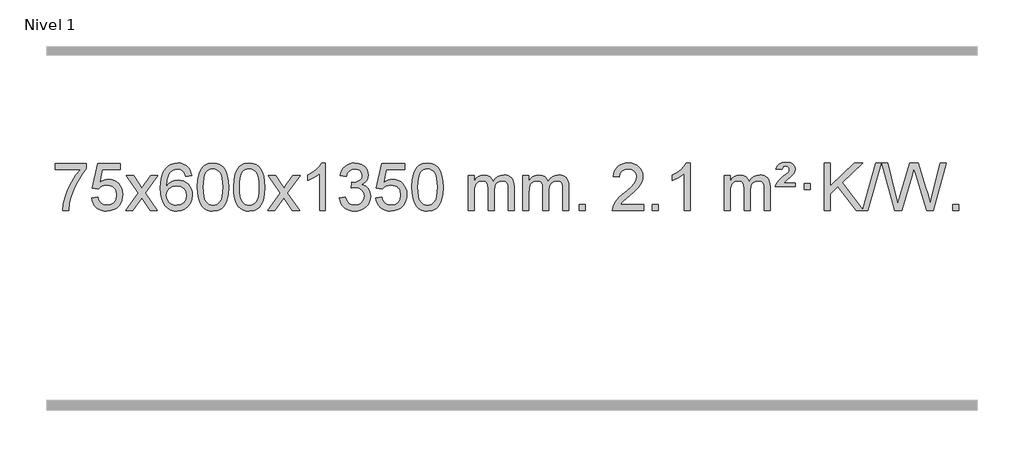
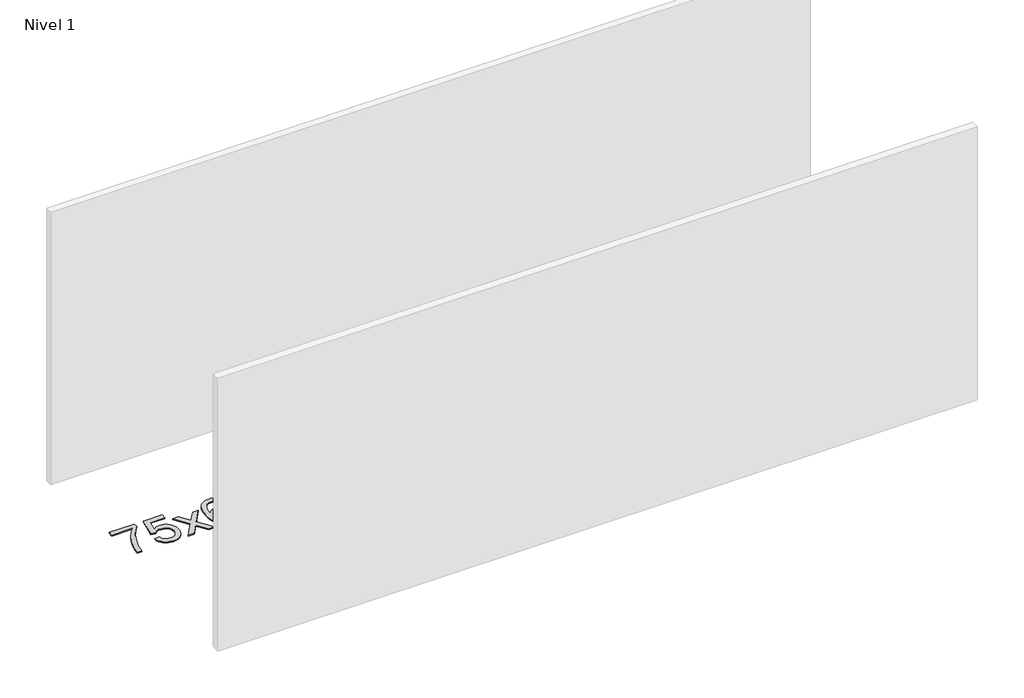
# One storey, part 5 of 7: 1 proxy.
"""IFC4 building model written with IfcOpenShell, lengths in millimetres."""

from ifc_helpers import new_model, si_unit, origin, origin_with_axes, place, context, project, spatial, polyline, outline, extrude, element, save

model = new_model("IFC4")

# Units and contexts
model_context = context("Model", 3, world=origin())
ifc_project = project(units=[si_unit("LENGTHUNIT", "METRE", prefix="MILLI")], contexts=[model_context])

# Site, building, storey
site = spatial("IfcSite", under=ifc_project)
building = spatial("IfcBuilding", under=site)
storey = spatial("IfcBuildingStorey", under=building, Name="Nivel 1", Elevation=0.0)

# Proxy
placement = place(None, origin())
element("IfcBuildingElementProxy", 1, Name="Texto de modelo 1", ObjectType="Texto de modelo 1", at=placement, inside=storey, context=model_context, shape_type="SweptSolid", body=[
    extrude(outline(polyline([(-6456.1697105, -3050.2608869), (-6456.1697105, -3000.0327318), (-6192.4718963, -3000.0327318), (-6192.4718963, -3040.646904), (-6230.0571735, -3088.214046), (-6267.2745687, -3148.7061088), (-6300.1019054, -3216.6048623), (-6324.5170071, -3286.3920768), (-6336.4854347, -3338.6067947), (-6343.1563615, -3395.579453), (-6393.3845166, -3395.579453), (-6387.9521258, -3343.8061935), (-6373.420787, -3282.2717985), (-6350.1829077, -3217.0463207), (-6318.6308952, -3154.1998132), (-6281.7936447, -3097.3865704), (-6242.7000514, -3050.2608869), (-6456.1697105, -3050.2608869)])), origin_with_axes(), (0.0, 0.0, 1.0), 10.0),
    extrude(outline(polyline([(-6148.5222606, -3288.8446235), (-6098.2941056, -3282.5661041), (-6089.0725302, -3312.7201649), (-6072.9838243, -3334.3148381), (-6050.1015642, -3347.3010725), (-6020.4993263, -3351.6298173), (-6001.3694626, -3350.1245668), (-5984.4959417, -3345.6088153), (-5969.8787638, -3338.0825628), (-5957.5179287, -3327.5458094), (-5947.6893481, -3314.519721), (-5940.6689334, -3299.5254641), (-5935.0526016, -3263.6324441), (-5940.3133141, -3229.8363514), (-5946.8892048, -3215.9181493), (-5956.0954517, -3203.9865099), (-5967.9627117, -3194.4154467), (-5982.5216417, -3187.5789729), (-6019.7145114, -3182.1097939), (-6044.0805622, -3184.2925604), (-6063.8112999, -3190.8408599), (-6079.568912, -3200.8717757), (-6092.0155862, -3213.5023908), (-6142.2437412, -3207.2238715), (-6098.2941056, -3000.0327318), (-5903.6600046, -3000.0327318), (-5903.6600046, -3050.2608869), (-6057.6799333, -3050.2608869), (-6079.1642418, -3160.919791), (-6061.438461, -3148.2155994), (-6043.2834845, -3139.1411769), (-6024.6993124, -3133.6965234), (-6005.6859446, -3131.8816388), (-5981.2248576, -3134.1318504), (-5958.7564648, -3140.882485), (-5938.2807661, -3152.1335427), (-5919.7977615, -3167.8850234), (-5904.4969362, -3187.1743027), (-5893.5677752, -3209.038756), (-5887.0102787, -3233.4783832), (-5884.8244465, -3260.4931844), (-5886.7926152, -3286.5147042), (-5892.6971212, -3310.7213394), (-5902.5379646, -3333.1130902), (-5916.3151453, -3353.6899565), (-5937.1863171, -3374.7634634), (-5961.5401052, -3389.8159684), (-5989.3765095, -3398.8474714), (-6020.69553, -3401.8579724), (-6046.6158823, -3399.9235262), (-6070.0285056, -3394.1201877), (-6090.9334, -3384.447957), (-6109.3305654, -3370.9068338), (-6124.6375221, -3354.1712688), (-6136.2717902, -3334.915712), (-6144.2333697, -3313.1401636), (-6148.5222606, -3288.8446235)])), origin_with_axes(), (0.0, 0.0, 1.0), 10.0),
    extrude(outline(polyline([(-5859.7103689, -3395.579453), (-5752.3869282, -3247.2494325), (-5853.4318496, -3100.4890419), (-5793.0011005, -3100.4890419), (-5744.2444734, -3171.122385), (-5721.4848406, -3204.4770192), (-5701.7663657, -3177.2047007), (-5646.2407099, -3100.4890419), (-5585.8099608, -3100.4890419), (-5691.9561791, -3247.2494325), (-5589.7340354, -3395.579453), (-5650.1647845, -3395.579453), (-5711.6746541, -3306.4048574), (-5722.9563686, -3290.1199477), (-5799.2796199, -3395.579453), (-5859.7103689, -3395.579453)])), origin_with_axes(), (0.0, 0.0, 1.0), 10.0),
    extrude(outline(polyline([(-5300.9221437, -3100.4890419), (-5351.1502988, -3106.7675613), (-5359.2437027, -3081.874213), (-5370.1820607, -3064.8780648), (-5392.9662189, -3049.2062918), (-5420.5083176, -3043.9823675), (-5443.8565616, -3047.0235253), (-5465.8313794, -3056.1469988), (-5484.7037258, -3075.3627017), (-5500.1179814, -3101.8134171), (-5510.5290419, -3139.227016), (-5514.3918028, -3191.3313693), (-5494.2441322, -3167.8237098), (-5470.0988106, -3151.2567573), (-5443.3047386, -3141.434308), (-5415.2108169, -3138.1601582), (-5391.077758, -3140.398107), (-5368.8086346, -3147.1119534), (-5348.4034466, -3158.3016975), (-5329.862194, -3173.9673391), (-5314.4540698, -3193.1769106), (-5303.4482668, -3214.9984443), (-5296.844785, -3239.4319401), (-5294.6436244, -3266.4773982), (-5298.7884282, -3302.4439945), (-5311.2228396, -3335.786366), (-5330.9167891, -3364.0642287), (-5356.840207, -3384.8372987), (-5387.815871, -3397.602804), (-5422.6665587, -3401.8579724), (-5452.6090874, -3399.0375437), (-5479.6514797, -3390.5762579), (-5503.7937357, -3376.4741147), (-5525.0358552, -3356.7311143), (-5542.3539001, -3330.5133908), (-5554.7239322, -3296.9870783), (-5562.1459515, -3256.1521768), (-5564.6199579, -3208.0086864), (-5561.8731057, -3154.0342663), (-5553.632549, -3107.9693092), (-5539.8982878, -3069.8138149), (-5520.6703222, -3039.5677835), (-5499.8298072, -3019.5243462), (-5475.6660915, -3005.2076052), (-5448.179175, -2996.6175606), (-5417.3690579, -2993.7542124), (-5394.2354118, -2995.5261773), (-5373.2967949, -3000.8420722), (-5354.5532073, -3009.7018969), (-5338.0046489, -3022.1056515), (-5324.0987094, -3037.6364031), (-5313.2829788, -3055.8772186), (-5305.5574569, -3076.8280983), (-5300.9221437, -3100.4890419)]), holes=[polyline([(-5514.3918028, -3265.6925832), (-5511.485535, -3287.9494439), (-5502.7667318, -3309.2007605), (-5489.2286743, -3327.472233), (-5471.8646442, -3340.7895612), (-5450.9076332, -3348.9197533), (-5426.5906333, -3351.6298173), (-5393.4444655, -3346.0134855), (-5379.5293291, -3338.9930708), (-5367.3861575, -3329.1644901), (-5357.5361171, -3316.9262824), (-5350.500374, -3302.6769865), (-5344.8717794, -3268.1451299), (-5350.4267976, -3234.9989621), (-5357.3705702, -3221.3781312), (-5367.0918519, -3209.725469), (-5379.2718117, -3200.3904634), (-5393.5916183, -3193.7226022), (-5428.6507725, -3188.3883133), (-5461.7478893, -3193.7226022), (-5489.4248781, -3209.725469), (-5500.3479076, -3221.2248471), (-5508.1500716, -3234.3858254), (-5512.83137, -3249.2084042), (-5514.3918028, -3265.6925832)])]), origin_with_axes(), (0.0, 0.0, 1.0), 10.0),
    extrude(outline(polyline([(-5250.6939887, -3197.9041943), (-5247.002906, -3133.5861588), (-5235.9296579, -3082.2911459), (-5217.5846091, -3043.2343407), (-5205.7265461, -3028.0009605), (-5192.0781241, -3015.6309284), (-5176.5933578, -3006.0598651), (-5159.2262619, -2999.2233914), (-5118.8450816, -2993.7542124), (-5087.8939431, -2996.991574), (-5060.1801661, -3006.7036586), (-5037.0036004, -3022.5103217), (-5019.6640957, -3044.0314184), (-5006.5674967, -3071.0830078), (-4996.119648, -3103.4811488), (-4989.2770429, -3144.6226186), (-4986.9961745, -3197.9041943), (-4990.650469, -3261.8543477), (-5001.6133525, -3313.0267333), (-5019.8480367, -3352.1203266), (-5031.6785085, -3367.3996922), (-5045.3177335, -3379.8341036), (-5060.8208939, -3389.4695462), (-5078.2431721, -3396.3520052), (-5118.8450816, -3401.8579724), (-5146.5098076, -3399.4667394), (-5171.035274, -3392.2930405), (-5192.4214806, -3380.3368757), (-5210.6684276, -3363.5982449), (-5228.1796106, -3333.3399508), (-5240.6875984, -3295.6381776), (-5248.1923911, -3250.4929255), (-5250.6939887, -3197.9041943)]), holes=[polyline([(-5200.4658336, -3197.8060924), (-5198.9943056, -3241.4706195), (-5194.5797217, -3276.8148822), (-5187.2220818, -3303.8388804), (-5176.9213859, -3322.5426142), (-5164.462449, -3335.2682656), (-5150.630086, -3344.3580165), (-5135.4242968, -3349.8118671), (-5118.8450816, -3351.6298173), (-5102.2658663, -3349.8057357), (-5087.0600772, -3344.3334911), (-5073.2277142, -3335.2130833), (-5060.7687773, -3322.4445124), (-5050.4680814, -3303.7101217), (-5043.1104415, -3276.6922549), (-5038.6958576, -3241.3909118), (-5037.2243296, -3197.8060924), (-5038.6468066, -3155.2973278), (-5042.9142378, -3120.5753989), (-5050.026623, -3093.6403055), (-5059.9839624, -3074.4920476), (-5072.2344328, -3061.1440625), (-5086.2262114, -3051.6097875), (-5101.959298, -3045.8892225), (-5119.4336928, -3043.9823675), (-5135.9270689, -3045.6623619), (-5150.8753406, -3050.7023452), (-5164.278508, -3059.1023175), (-5176.136571, -3070.8622786), (-5186.7806234, -3091.708925), (-5194.3835179, -3119.8151094), (-5198.9452547, -3155.1808319), (-5200.4658336, -3197.8060924)])]), origin_with_axes(), (0.0, 0.0, 1.0), 10.0),
    extrude(outline(polyline([(-4943.0465388, -3197.9041943), (-4939.3554561, -3133.5861588), (-4928.2822081, -3082.2911459), (-4909.9371593, -3043.2343407), (-4898.0790963, -3028.0009605), (-4884.4306743, -3015.6309284), (-4868.945908, -3006.0598651), (-4851.5788121, -2999.2233914), (-4811.1976318, -2993.7542124), (-4780.2464932, -2996.991574), (-4752.5327163, -3006.7036586), (-4729.3561506, -3022.5103217), (-4712.0166459, -3044.0314184), (-4698.9200468, -3071.0830078), (-4688.4721982, -3103.4811488), (-4681.6295931, -3144.6226186), (-4679.3487247, -3197.9041943), (-4683.0030192, -3261.8543477), (-4693.9659026, -3313.0267333), (-4712.2005869, -3352.1203266), (-4724.0310587, -3367.3996922), (-4737.6702837, -3379.8341036), (-4753.1734441, -3389.4695462), (-4770.5957222, -3396.3520052), (-4811.1976318, -3401.8579724), (-4838.8623578, -3399.4667394), (-4863.3878241, -3392.2930405), (-4884.7740308, -3380.3368757), (-4903.0209778, -3363.5982449), (-4920.5321607, -3333.3399508), (-4933.0401486, -3295.6381776), (-4940.5449413, -3250.4929255), (-4943.0465388, -3197.9041943)]), holes=[polyline([(-4892.8183838, -3197.8060924), (-4891.3468558, -3241.4706195), (-4886.9322718, -3276.8148822), (-4879.5746319, -3303.8388804), (-4869.2739361, -3322.5426142), (-4856.8149992, -3335.2682656), (-4842.9826361, -3344.3580165), (-4827.776847, -3349.8118671), (-4811.1976318, -3351.6298173), (-4794.6184165, -3349.8057357), (-4779.4126274, -3344.3334911), (-4765.5802644, -3335.2130833), (-4753.1213275, -3322.4445124), (-4742.8206316, -3303.7101217), (-4735.4629917, -3276.6922549), (-4731.0484077, -3241.3909118), (-4729.5768798, -3197.8060924), (-4730.9993568, -3155.2973278), (-4735.266788, -3120.5753989), (-4742.3791732, -3093.6403055), (-4752.3365125, -3074.4920476), (-4764.586983, -3061.1440625), (-4778.5787615, -3051.6097875), (-4794.3118482, -3045.8892225), (-4811.786243, -3043.9823675), (-4828.2796191, -3045.6623619), (-4843.2278908, -3050.7023452), (-4856.6310582, -3059.1023175), (-4868.4891211, -3070.8622786), (-4879.1331735, -3091.708925), (-4886.7360681, -3119.8151094), (-4891.2978048, -3155.1808319), (-4892.8183838, -3197.8060924)])]), origin_with_axes(), (0.0, 0.0, 1.0), 10.0),
    extrude(outline(polyline([(-4654.2346472, -3395.579453), (-4546.9112064, -3247.2494325), (-4647.9561278, -3100.4890419), (-4587.5253787, -3100.4890419), (-4538.7687516, -3171.122385), (-4516.0091188, -3204.4770192), (-4496.2906439, -3177.2047007), (-4440.7649881, -3100.4890419), (-4380.334239, -3100.4890419), (-4486.4804574, -3247.2494325), (-4384.2583136, -3395.579453), (-4444.6890627, -3395.579453), (-4506.1989323, -3306.4048574), (-4517.4806468, -3290.1199477), (-4593.8038981, -3395.579453), (-4654.2346472, -3395.579453)])), origin_with_axes(), (0.0, 0.0, 1.0), 10.0),
    extrude(outline(polyline([(-4164.5101352, -3395.579453), (-4214.7382902, -3395.579453), (-4214.7382902, -3082.4382987), (-4235.707564, -3099.3976587), (-4262.317695, -3116.3324932), (-4315.1946004, -3141.6918254), (-4315.1946004, -3094.2105225), (-4275.7453878, -3072.7507395), (-4241.5691504, -3047.219729), (-4214.6279257, -3020.0700378), (-4196.8837508, -2993.7542124), (-4164.5101352, -2993.7542124), (-4164.5101352, -3395.579453)])), origin_with_axes(), (0.0, 0.0, 1.0), 10.0),
    extrude(outline(polyline([(-4045.2182669, -3288.8446235), (-3994.9901118, -3282.5661041), (-3983.7451855, -3314.1303793), (-3967.2763348, -3335.4430095), (-3944.7742195, -3347.5831154), (-3915.429499, -3351.6298173), (-3880.9957442, -3346.0625364), (-3866.7219228, -3339.1034354), (-3854.4101387, -3329.3606939), (-3837.4139905, -3304.4428201), (-3831.7486078, -3274.2274455), (-3837.3649396, -3245.5449126), (-3854.213935, -3222.2825078), (-3879.72042, -3206.8682522), (-3911.3092206, -3201.730167), (-3946.5277903, -3207.2238715), (-3940.935984, -3156.9957164), (-3932.891631, -3157.5843276), (-3902.7988838, -3153.979084), (-3875.8944472, -3143.1633534), (-3864.8211992, -3134.9841103), (-3856.9117363, -3124.8673555), (-3852.1660585, -3112.8130888), (-3850.584166, -3098.8213102), (-3855.1704282, -3077.1285352), (-3868.9292148, -3059.5315131), (-3889.923014, -3047.8696539), (-3916.2143139, -3043.9823675), (-3942.5546648, -3047.9064421), (-3964.0880242, -3059.6786659), (-3979.8088481, -3079.299039), (-3988.7115924, -3106.7675613), (-4038.9397475, -3100.4890419), (-4032.9861905, -3076.5092672), (-4024.1508913, -3055.3867093), (-4012.4338497, -3037.1213683), (-3997.8350659, -3021.713244), (-3980.8143922, -3009.4811677), (-3961.8316813, -3000.7439703), (-3940.886933, -2995.5016519), (-3917.9801475, -2993.7542124), (-3886.4036096, -2997.2000404), (-3857.4022456, -3007.5375245), (-3832.9503557, -3023.8469596), (-3815.0222398, -3045.2086408), (-3804.0225681, -3069.8199463), (-3800.3560109, -3095.8782543), (-3803.8386271, -3120.1584659), (-3814.2864758, -3142.1823347), (-3831.5524041, -3160.9443165), (-3855.4892592, -3175.4388671), (-3824.0476114, -3188.1430586), (-3800.7484183, -3209.77452), (-3786.3274441, -3239.1560286), (-3781.5204527, -3275.1103623), (-3783.9239484, -3300.5923218), (-3791.1344355, -3324.0631931), (-3803.151914, -3345.5229762), (-3819.976384, -3364.971671), (-3840.4735425, -3381.1094278), (-3863.5090867, -3392.636397), (-3889.0830168, -3399.5525785), (-3917.1953326, -3401.8579724), (-3942.6037157, -3399.8898037), (-3965.7557559, -3393.9852977), (-3986.6514532, -3384.1444543), (-4005.2908077, -3370.3672736), (-4020.9196611, -3353.4630959), (-4032.7838554, -3334.2412617), (-4040.8833907, -3312.7017708), (-4045.2182669, -3288.8446235)])), origin_with_axes(), (0.0, 0.0, 1.0), 10.0),
    extrude(outline(polyline([(-3737.570817, -3288.8446235), (-3687.342662, -3282.5661041), (-3678.1210866, -3312.7201649), (-3662.0323807, -3334.3148381), (-3639.1501206, -3347.3010725), (-3609.5478827, -3351.6298173), (-3590.418019, -3350.1245668), (-3573.5444981, -3345.6088153), (-3558.9273202, -3338.0825628), (-3546.5664851, -3327.5458094), (-3536.7379045, -3314.519721), (-3529.7174898, -3299.5254641), (-3524.101158, -3263.6324441), (-3529.3618705, -3229.8363514), (-3535.9377612, -3215.9181493), (-3545.1440081, -3203.9865099), (-3557.0112681, -3194.4154467), (-3571.5701981, -3187.5789729), (-3608.7630678, -3182.1097939), (-3633.1291186, -3184.2925604), (-3652.8598563, -3190.8408599), (-3668.6174684, -3200.8717757), (-3681.0641426, -3213.5023908), (-3731.2922977, -3207.2238715), (-3687.342662, -3000.0327318), (-3492.708561, -3000.0327318), (-3492.708561, -3050.2608869), (-3646.7284897, -3050.2608869), (-3668.2127982, -3160.919791), (-3650.4870174, -3148.2155994), (-3632.332041, -3139.1411769), (-3613.7478688, -3133.6965234), (-3594.734501, -3131.8816388), (-3570.273414, -3134.1318504), (-3547.8050212, -3140.882485), (-3527.3293225, -3152.1335427), (-3508.8463179, -3167.8850234), (-3493.5454926, -3187.1743027), (-3482.6163316, -3209.038756), (-3476.0588351, -3233.4783832), (-3473.8730029, -3260.4931844), (-3475.8411716, -3286.5147042), (-3481.7456776, -3310.7213394), (-3491.586521, -3333.1130902), (-3505.3637017, -3353.6899565), (-3526.2348735, -3374.7634634), (-3550.5886616, -3389.8159684), (-3578.4250659, -3398.8474714), (-3609.7440864, -3401.8579724), (-3635.6644387, -3399.9235262), (-3659.077062, -3394.1201877), (-3679.9819564, -3384.447957), (-3698.3791218, -3370.9068338), (-3713.6860785, -3354.1712688), (-3725.3203466, -3334.915712), (-3733.2819261, -3313.1401636), (-3737.570817, -3288.8446235)])), origin_with_axes(), (0.0, 0.0, 1.0), 10.0),
    extrude(outline(polyline([(-3429.9233672, -3197.9041943), (-3426.2322845, -3133.5861588), (-3415.1590365, -3082.2911459), (-3396.8139876, -3043.2343407), (-3384.9559247, -3028.0009605), (-3371.3075026, -3015.6309284), (-3355.8227363, -3006.0598651), (-3338.4556405, -2999.2233914), (-3298.0744601, -2993.7542124), (-3267.1233216, -2996.991574), (-3239.4095446, -3006.7036586), (-3216.2329789, -3022.5103217), (-3198.8934742, -3044.0314184), (-3185.7968752, -3071.0830078), (-3175.3490265, -3103.4811488), (-3168.5064214, -3144.6226186), (-3166.2255531, -3197.9041943), (-3169.8798475, -3261.8543477), (-3180.842731, -3313.0267333), (-3199.0774152, -3352.1203266), (-3210.9078871, -3367.3996922), (-3224.547112, -3379.8341036), (-3240.0502724, -3389.4695462), (-3257.4725506, -3396.3520052), (-3298.0744601, -3401.8579724), (-3325.7391862, -3399.4667394), (-3350.2646525, -3392.2930405), (-3371.6508592, -3380.3368757), (-3389.8978061, -3363.5982449), (-3407.4089891, -3333.3399508), (-3419.9169769, -3295.6381776), (-3427.4217696, -3250.4929255), (-3429.9233672, -3197.9041943)]), holes=[polyline([(-3379.6952121, -3197.8060924), (-3378.2236842, -3241.4706195), (-3373.8091002, -3276.8148822), (-3366.4514603, -3303.8388804), (-3356.1507644, -3322.5426142), (-3343.6918275, -3335.2682656), (-3329.8594645, -3344.3580165), (-3314.6536754, -3349.8118671), (-3298.0744601, -3351.6298173), (-3281.4952449, -3349.8057357), (-3266.2894558, -3344.3334911), (-3252.4570927, -3335.2130833), (-3239.9981558, -3322.4445124), (-3229.69746, -3303.7101217), (-3222.3398201, -3276.6922549), (-3217.9252361, -3241.3909118), (-3216.4537081, -3197.8060924), (-3217.8761852, -3155.2973278), (-3222.1436163, -3120.5753989), (-3229.2560016, -3093.6403055), (-3239.2133409, -3074.4920476), (-3251.4638113, -3061.1440625), (-3265.4555899, -3051.6097875), (-3281.1886766, -3045.8892225), (-3298.6630713, -3043.9823675), (-3315.1564474, -3045.6623619), (-3330.1047192, -3050.7023452), (-3343.5078865, -3059.1023175), (-3355.3659495, -3070.8622786), (-3366.0100019, -3091.708925), (-3373.6128965, -3119.8151094), (-3378.1746332, -3155.1808319), (-3379.6952121, -3197.8060924)])]), origin_with_axes(), (0.0, 0.0, 1.0), 10.0),
    extrude(outline(polyline([(-2952.755894, -3395.579453), (-2952.755894, -3100.4890419), (-2902.5277389, -3100.4890419), (-2902.5277389, -3149.0494653), (-2887.4200517, -3126.7435537), (-2867.9958823, -3109.2691589), (-2844.9174185, -3097.9751816), (-2818.8468478, -3094.2105225), (-2790.9123416, -3098.048758), (-2768.5205908, -3109.5634645), (-2751.7942228, -3127.9943524), (-2740.8558648, -3152.5811324), (-2722.5476041, -3127.0439906), (-2701.6641696, -3108.803175), (-2678.205561, -3097.8586857), (-2652.1717785, -3094.2105225), (-2632.0639617, -3095.7280358), (-2614.414823, -3100.2805755), (-2599.2243623, -3107.8681416), (-2586.4925796, -3118.4907342), (-2576.4279413, -3132.2709806), (-2569.238914, -3149.3315082), (-2564.9254976, -3169.6723168), (-2563.4876922, -3193.2934066), (-2563.4876922, -3395.579453), (-2613.7158472, -3395.579453), (-2613.7158472, -3214.875817), (-2614.8808069, -3189.8230531), (-2618.3756858, -3172.9372695), (-2624.9239854, -3161.3735121), (-2635.2492067, -3152.2868268), (-2648.5297467, -3146.4007149), (-2663.9440023, -3144.4386776), (-2691.1550072, -3149.4663982), (-2713.3382915, -3164.54956), (-2721.9436645, -3176.1194488), (-2728.0903595, -3190.7182326), (-2733.0077155, -3229.0024856), (-2733.0077155, -3395.579453), (-2783.2358706, -3395.579453), (-2783.2358706, -3209.2840106), (-2786.1421384, -3180.8835206), (-2794.8609417, -3160.6254854), (-2810.2016209, -3148.4853796), (-2832.9735164, -3144.4386776), (-2852.3241093, -3147.1364789), (-2870.1541233, -3155.2298828), (-2884.8694032, -3168.5226856), (-2894.8757934, -3186.8186835), (-2900.6147525, -3212.2025411), (-2902.5277389, -3246.7589232), (-2902.5277389, -3395.579453), (-2952.755894, -3395.579453)])), origin_with_axes(), (0.0, 0.0, 1.0), 10.0),
    extrude(outline(polyline([(-2488.1454596, -3395.579453), (-2488.1454596, -3100.4890419), (-2437.9173045, -3100.4890419), (-2437.9173045, -3149.0494653), (-2422.8096172, -3126.7435537), (-2403.3854479, -3109.2691589), (-2380.306984, -3097.9751816), (-2354.2364133, -3094.2105225), (-2326.3019071, -3098.048758), (-2303.9101564, -3109.5634645), (-2287.1837883, -3127.9943524), (-2276.2454303, -3152.5811324), (-2257.9371697, -3127.0439906), (-2237.0537351, -3108.803175), (-2213.5951266, -3097.8586857), (-2187.561344, -3094.2105225), (-2167.4535273, -3095.7280358), (-2149.8043886, -3100.2805755), (-2134.6139279, -3107.8681416), (-2121.8821452, -3118.4907342), (-2111.8175069, -3132.2709806), (-2104.6284796, -3149.3315082), (-2100.3150632, -3169.6723168), (-2098.8772577, -3193.2934066), (-2098.8772577, -3395.579453), (-2149.1054128, -3395.579453), (-2149.1054128, -3214.875817), (-2150.2703724, -3189.8230531), (-2153.7652514, -3172.9372695), (-2160.3135509, -3161.3735121), (-2170.6387722, -3152.2868268), (-2183.9193123, -3146.4007149), (-2199.3335679, -3144.4386776), (-2226.5445728, -3149.4663982), (-2248.7278571, -3164.54956), (-2257.3332301, -3176.1194488), (-2263.4799251, -3190.7182326), (-2268.3972811, -3229.0024856), (-2268.3972811, -3395.579453), (-2318.6254362, -3395.579453), (-2318.6254362, -3209.2840106), (-2321.5317039, -3180.8835206), (-2330.2505072, -3160.6254854), (-2345.5911864, -3148.4853796), (-2368.3630819, -3144.4386776), (-2387.7136749, -3147.1364789), (-2405.5436889, -3155.2298828), (-2420.2589687, -3168.5226856), (-2430.265359, -3186.8186835), (-2436.0043181, -3212.2025411), (-2437.9173045, -3246.7589232), (-2437.9173045, -3395.579453), (-2488.1454596, -3395.579453)])), origin_with_axes(), (0.0, 0.0, 1.0), 10.0),
    extrude(outline(polyline([(-2010.9779863, -3395.579453), (-2010.9779863, -3345.3512979), (-1960.7498313, -3345.3512979), (-1960.7498313, -3395.579453), (-2010.9779863, -3395.579453)])), origin_with_axes(), (0.0, 0.0, 1.0), 10.0),
    extrude(outline(polyline([(-1464.7467999, -3345.3512979), (-1464.7467999, -3395.579453), (-1728.444614, -3395.579453), (-1727.3409681, -3377.8965918), (-1723.0490115, -3360.9494945), (-1710.6636509, -3333.8856424), (-1692.5393313, -3307.6311307), (-1666.3216078, -3280.1503456), (-1629.6560356, -3249.4076736), (-1575.454755, -3201.2641831), (-1542.9339866, -3165.7267824), (-1526.6736024, -3136.884834), (-1521.2534744, -3108.8277005), (-1526.3670341, -3083.6768347), (-1541.7077133, -3062.7688747), (-1565.2889492, -3048.6789943), (-1595.124179, -3043.9823675), (-1626.4554623, -3048.5686297), (-1650.7969876, -3062.3274163), (-1666.5055488, -3084.1796068), (-1671.9379396, -3113.0460807), (-1722.1660947, -3106.7675613), (-1717.8465469, -3080.838012), (-1709.9892006, -3058.1826125), (-1698.5940558, -3038.8013627), (-1683.6611125, -3022.6942627), (-1665.5337272, -3010.0329907), (-1644.5552564, -3000.989225), (-1620.7257002, -2995.5629655), (-1594.0450585, -2993.7542124), (-1567.1252935, -2995.7653006), (-1543.1669785, -3001.7985654), (-1522.1701137, -3011.8540066), (-1504.1346989, -3025.9316242), (-1489.6493453, -3042.9890861), (-1479.3026642, -3061.9840598), (-1473.0946555, -3082.9165453), (-1471.0253193, -3105.7865427), (-1473.2571367, -3129.8092369), (-1479.952589, -3153.4149983), (-1491.8351775, -3177.4254299), (-1509.6284033, -3202.6621347), (-1537.9921051, -3232.7916701), (-1581.5861216, -3271.4805933), (-1639.3681203, -3319.795762), (-1662.0296512, -3345.3512979), (-1464.7467999, -3345.3512979)])), origin_with_axes(), (0.0, 0.0, 1.0), 10.0),
    extrude(outline(polyline([(-1389.4045673, -3395.579453), (-1389.4045673, -3345.3512979), (-1339.1764122, -3345.3512979), (-1339.1764122, -3395.579453), (-1389.4045673, -3395.579453)])), origin_with_axes(), (0.0, 0.0, 1.0), 10.0),
    extrude(outline(polyline([(-1069.2000787, -3395.579453), (-1119.4282338, -3395.579453), (-1119.4282338, -3082.4382987), (-1140.3975075, -3099.3976587), (-1167.0076385, -3116.3324932), (-1219.8845439, -3141.6918254), (-1219.8845439, -3094.2105225), (-1180.4353313, -3072.7507395), (-1146.2590939, -3047.219729), (-1119.3178692, -3020.0700378), (-1101.5736943, -2993.7542124), (-1069.2000787, -2993.7542124), (-1069.2000787, -3395.579453)])), origin_with_axes(), (0.0, 0.0, 1.0), 10.0),
    extrude(outline(polyline([(-780.388187, -3395.579453), (-780.388187, -3100.4890419), (-730.1600319, -3100.4890419), (-730.1600319, -3149.0494653), (-715.0523447, -3126.7435537), (-695.6281753, -3109.2691589), (-672.5497115, -3097.9751816), (-646.4791408, -3094.2105225), (-618.5446346, -3098.048758), (-596.1528838, -3109.5634645), (-579.4265158, -3127.9943524), (-568.4881578, -3152.5811324), (-550.1798972, -3127.0439906), (-529.2964626, -3108.803175), (-505.837854, -3097.8586857), (-479.8040715, -3094.2105225), (-459.6962548, -3095.7280358), (-442.047116, -3100.2805755), (-426.8566553, -3107.8681416), (-414.1248726, -3118.4907342), (-404.0602344, -3132.2709806), (-396.871207, -3149.3315082), (-392.5577906, -3169.6723168), (-391.1199852, -3193.2934066), (-391.1199852, -3395.579453), (-441.3481403, -3395.579453), (-441.3481403, -3214.875817), (-442.5130999, -3189.8230531), (-446.0079789, -3172.9372695), (-452.5562784, -3161.3735121), (-462.8814997, -3152.2868268), (-476.1620397, -3146.4007149), (-491.5762953, -3144.4386776), (-518.7873002, -3149.4663982), (-540.9705845, -3164.54956), (-549.5759576, -3176.1194488), (-555.7226526, -3190.7182326), (-560.6400086, -3229.0024856), (-560.6400086, -3395.579453), (-610.8681636, -3395.579453), (-610.8681636, -3209.2840106), (-613.7744314, -3180.8835206), (-622.4932347, -3160.6254854), (-637.8339139, -3148.4853796), (-660.6058094, -3144.4386776), (-679.9564023, -3147.1364789), (-697.7864164, -3155.2298828), (-712.5016962, -3168.5226856), (-722.5080864, -3186.8186835), (-728.2470456, -3212.2025411), (-730.1600319, -3246.7589232), (-730.1600319, -3395.579453), (-780.388187, -3395.579453)])), origin_with_axes(), (0.0, 0.0, 1.0), 10.0),
    extrude(outline(polyline([(-347.1703495, -3194.6668327), (-343.3443767, -3178.8479069), (-335.0057182, -3162.9799302), (-313.4968842, -3137.8413272), (-281.5402016, -3110.1030247), (-237.3943621, -3072.726214), (-230.2574514, -3061.1992448), (-227.8784812, -3049.3779701), (-229.7669421, -3037.2869152), (-235.4323248, -3027.5012541), (-244.801053, -3021.026531), (-257.7995501, -3018.8682899), (-270.2339616, -3020.4869707), (-279.0876549, -3025.343013), (-285.5133271, -3034.8098431), (-290.663675, -3050.2608869), (-340.8918301, -3043.9823675), (-330.051574, -3018.7701881), (-313.4233078, -3001.2099542), (-289.6581309, -2990.9092583), (-257.4071427, -2987.475693), (-221.6244873, -2991.6082341), (-196.8782917, -3004.0058573), (-182.4573175, -3022.3386434), (-177.6503261, -3044.2766731), (-181.746079, -3067.1834586), (-194.0333376, -3088.8149199), (-214.561153, -3108.6314968), (-251.0305214, -3136.6886303), (-276.6351083, -3163.2742358), (-177.6503261, -3163.2742358), (-177.6503261, -3194.6668327), (-347.1703495, -3194.6668327)])), origin_with_axes(), (0.0, 0.0, 1.0), 10.0),
    extrude(outline(polyline([(-102.3080935, -3219.7809102), (-102.3080935, -3169.5527552), (-52.0799384, -3169.5527552), (-52.0799384, -3219.7809102), (-102.3080935, -3219.7809102)])), origin_with_axes(), (0.0, 0.0, 1.0), 10.0),
    extrude(outline(polyline([(338.5616895, -3395.579453), (185.1303721, -3192.9009991), (117.440085, -3257.4520265), (117.440085, -3395.579453), (67.2119299, -3395.579453), (67.2119299, -2993.7542124), (117.440085, -2993.7542124), (117.440085, -3190.4484525), (323.4540023, -2993.7542124), (393.6949379, -2993.7542124), (220.7413492, -3158.9577537), (395.3949591, -3389.5349332), (506.7082868, -2993.7542124), (552.0313486, -2993.7542124), (439.0179997, -3395.579453), (399.9734572, -3395.579453), (393.6949379, -3395.579453), (338.5616895, -3395.579453)])), origin_with_axes(), (0.0, 0.0, 1.0), 10.0),
    extrude(outline(polyline([(666.5162255, -3395.579453), (556.9364419, -2993.7542124), (608.7342268, -2993.7542124), (672.3042355, -3257.844434), (691.9246086, -3339.3670841), (712.9184078, -3267.2622131), (792.5771225, -2993.7542124), (867.2326421, -2993.7542124), (925.1127426, -3192.0180823), (949.9079891, -3265.5944814), (968.1794615, -3339.3670841), (987.2112234, -3260.1988788), (1051.3698434, -2993.7542124), (1103.1676283, -2993.7542124), (993.4897428, -3395.579453), (939.8280224, -3395.579453), (843.4919906, -3085.5775584), (830.0520351, -3042.3146358), (814.9443478, -3094.4067263), (727.1431783, -3395.579453), (666.5162255, -3395.579453)])), origin_with_axes(), (0.0, 0.0, 1.0), 10.0),
    extrude(outline(polyline([(1159.6743028, -3395.579453), (1159.6743028, -3345.3512979), (1209.9024578, -3345.3512979), (1209.9024578, -3395.579453), (1159.6743028, -3395.579453)])), origin_with_axes(), (0.0, 0.0, 1.0), 10.0),
])

save(model, "model.ifc")
